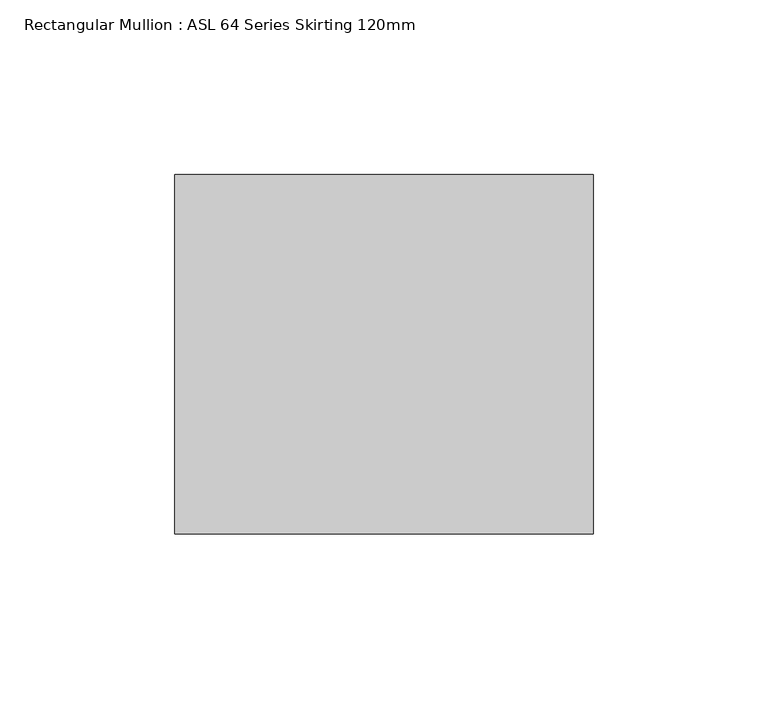
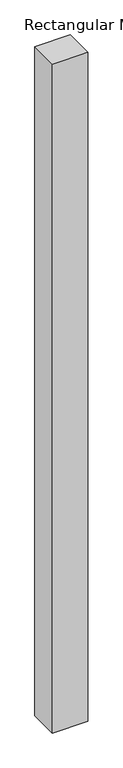
"""IFC4 building model written with IfcOpenShell, lengths in millimetres: member geometry, Rectangular Mullion : ASL 64 Series Skirting 120mm."""

from ifc_helpers import new_model, si_unit, frame, origin, place, context, project, spatial, polyline, outline, extrude, source, transform, mapped, element, save


def rectangular_mullion_asl_64_series_skirting_120mm_2105e8ae(model_context):
    return source(origin(), model_context, "Body", "SweptSolid", [
        extrude(outline(polyline([(-120.0, 51.5), (0.0, 51.5), (0.0, -51.5), (-120.0, -51.5), (-120.0, 51.5)])), frame((0.0, 0.0, -2400.0), z_axis=(0.0, 0.0, 1.0), x_axis=(1.0, 0.0, 0.0)), (0.0, 0.0, 1.0), 2400.0),
    ])


if __name__ == "__main__":
    model = new_model("IFC4")
    model_context = context("Model", 3, world=origin())
    ifc_project = project(units=[si_unit("LENGTHUNIT", "METRE", prefix="MILLI")], contexts=[model_context])
    site = spatial("IfcSite", under=ifc_project)
    building = spatial("IfcBuilding", under=site)
    placement = place(None, origin())
    rectangular_mullion_asl_64_series_skirting_120mm_shape = rectangular_mullion_asl_64_series_skirting_120mm_2105e8ae(model_context)
    element("IfcMember", 1, ObjectType="Rectangular Mullion : ASL 64 Series Skirting 120mm", at=placement, inside=building, context=model_context, shape_type="MappedRepresentation", body=[
        mapped(rectangular_mullion_asl_64_series_skirting_120mm_shape, transform((0.0, 0.0, 0.0), x_axis=(1.0, 0.0, 0.0), y_axis=(0.0, 1.0, 0.0), z_axis=(0.0, 0.0, 1.0))),
    ])
    save(model, "model.ifc")
